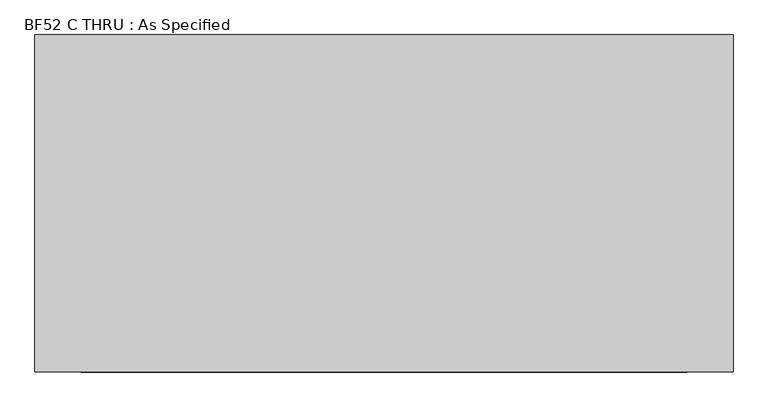
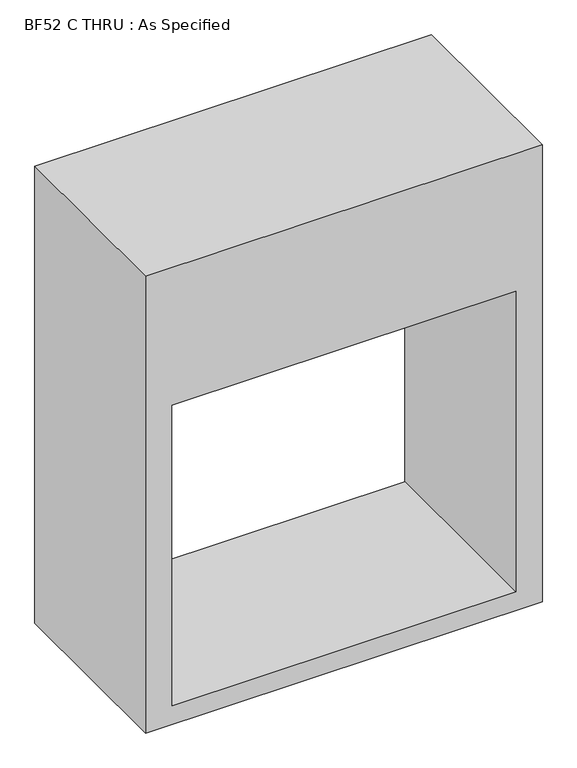
"""IFC4 building model written with IfcOpenShell, lengths in millimetres: proxy geometry, BF52 C THRU : As Specified."""

from ifc_helpers import new_model, si_unit, frame, origin, place, context, project, spatial, polyline, outline, extrude, source, transform, mapped, element, save


def bf52_c_thru_as_specified_2eca4641(model_context):
    return source(origin(), model_context, "Body", "SweptSolid", [
        extrude(outline(polyline([(1854.2, 762.0), (1854.2, -762.0), (0.0, -762.0), (0.0, 762.0), (1854.2, 762.0)]), holes=[polyline([(1295.4, -660.4), (1295.4, 660.4), (76.2, 660.4), (76.2, -660.4), (1295.4, -660.4)])]), frame((0.0, -368.3, 0.0), z_axis=(0.0, 1.0, 0.0), x_axis=(0.0, 0.0, 1.0)), (0.0, 0.0, 1.0), 736.6),
    ])


if __name__ == "__main__":
    model = new_model("IFC4")
    model_context = context("Model", 3, world=origin())
    ifc_project = project(units=[si_unit("LENGTHUNIT", "METRE", prefix="MILLI")], contexts=[model_context])
    site = spatial("IfcSite", under=ifc_project)
    building = spatial("IfcBuilding", under=site)
    placement = place(None, origin())
    bf52_c_thru_as_specified_shape = bf52_c_thru_as_specified_2eca4641(model_context)
    element("IfcBuildingElementProxy", 1, Name="BF52 C THRU : As Specified", ObjectType="BF52 C THRU : As Specified", at=placement, inside=building, context=model_context, shape_type="MappedRepresentation", body=[
        mapped(bf52_c_thru_as_specified_shape, transform((0.0, 0.0, 0.0), x_axis=(1.0, 0.0, 0.0), y_axis=(0.0, 1.0, 0.0), z_axis=(0.0, 0.0, 1.0))),
    ])
    save(model, "model.ifc")
